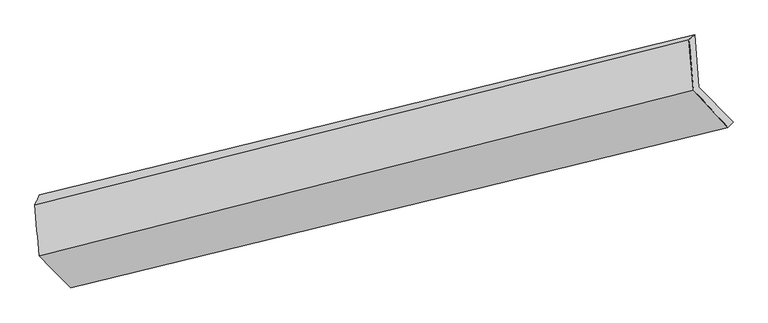
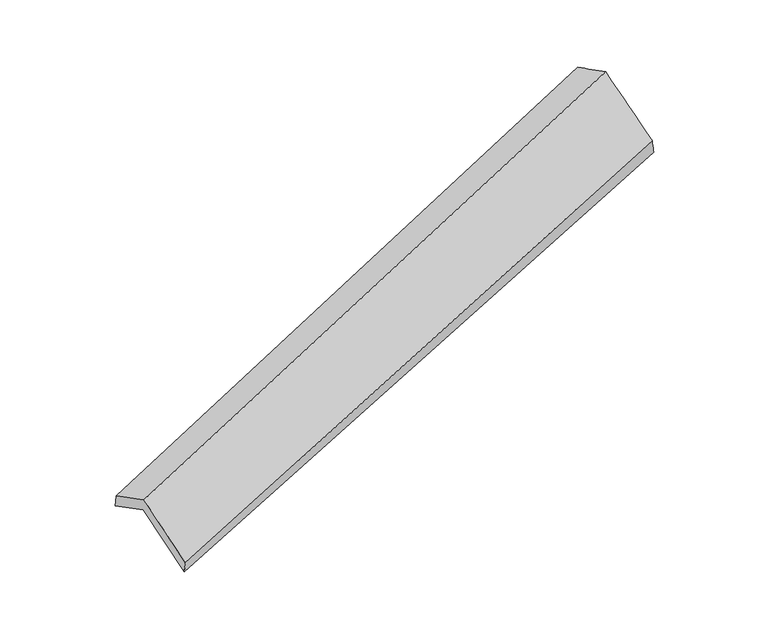
"""IFC4 building model written with IfcOpenShell, lengths in millimetres: proxy geometry."""

from ifc_helpers import new_model, si_unit, frame, origin, place, context, project, spatial, source, transform, mapped, element, save
from ifc_brep_helpers import plane_surface, spline_surface, advanced_brep


def generic_models_a7959aec(model_context):
    return source(origin(), model_context, "Body", "AdvancedBrep", [
        advanced_brep(
        [(-5018.1751272, -2320.2660485, 812.8370878), (-5238.1866465, -2095.5013349, 1317.6211241), (-584.1435104, -957.0211022, 2871.0316858), (-341.1605208, -1204.7697406, 2314.5493499), (-5268.3238623, -1725.5197815, 1139.7443966), (-614.3512167, -586.1741666, 2692.7389067), (-5298.4788215, -1794.0119611, 1281.2460889), (-654.6093068, -619.7110279, 2839.2185938), (-5268.8956764, -2157.1914296, 1455.8525652), (-622.7366048, -977.9665449, 3003.2990679), (-5045.1420249, -2385.7791215, 942.4827577), (-378.0278441, -1244.7309511, 2455.4228073)],
        [
            (0, 1),
            (1, 2),
            (2, 3),
            (3, 0),
            (1, 4),
            (4, 5),
            (5, 2),
            (4, 6),
            (6, 7),
            (7, 5),
            (6, 8),
            (8, 9),
            (9, 7),
            (8, 10),
            (10, 11),
            (11, 9),
            (10, 0),
            (3, 11),
        ],
        [
            spline_surface(1, 1, [[(-5018.1751272, -2320.2660485, 812.8370878), (-341.1605208, -1204.7697406, 2314.5493499)], [(-5238.1866465, -2095.5013349, 1317.6211241), (-584.1435104, -957.0211022, 2871.0316858)]], [2, 2], [2, 2], [0.0, 1.0], [0.0, 1.0]),
            plane_surface(frame((-5253.2552544, -1910.5105582, 1228.6827603), z_axis=(0.3748881997003474, -0.37671531969966765, -0.8470799287133475), x_axis=(-0.07321531026302733, 0.8988326746698005, -0.4321334762420302))),
            spline_surface(1, 1, [[(-5268.3238623, -1725.5197815, 1139.7443966), (-614.3512167, -586.1741666, 2692.7389067)], [(-5298.4788215, -1794.0119611, 1281.2460889), (-654.6093068, -619.7110279, 2839.2185938)]], [2, 2], [2, 2], [0.0, 1.0], [0.0, 1.0]),
            spline_surface(1, 1, [[(-5298.4788215, -1794.0119611, 1281.2460889), (-654.6093068, -619.7110279, 2839.2185938)], [(-5268.8956764, -2157.1914296, 1455.8525652), (-622.7366048, -977.9665449, 3003.2990679)]], [2, 2], [2, 2], [0.0, 1.0], [0.0, 1.0]),
            spline_surface(1, 1, [[(-5268.8956764, -2157.1914296, 1455.8525652), (-622.7366048, -977.9665449, 3003.2990679)], [(-5045.1420249, -2385.7791215, 942.4827577), (-378.0278441, -1244.7309511, 2455.4228073)]], [2, 2], [2, 2], [0.0, 1.0], [0.0, 1.0]),
            spline_surface(1, 1, [[(-5045.1420249, -2385.7791215, 942.4827577), (-378.0278441, -1244.7309511, 2455.4228073)], [(-5018.1751272, -2320.2660485, 812.8370878), (-341.1605208, -1204.7697406, 2314.5493499)]], [2, 2], [2, 2], [0.0, 1.0], [0.0, 1.0]),
            plane_surface(frame((-532.5048339, -931.7289222, 2696.0434019), z_axis=(0.9259401087207666, 0.2222337290523679, 0.30536385629876694), x_axis=(0.3726516768818359, -0.40623884088838347, -0.8343265139445218))),
            plane_surface(frame((-5189.5336931, -2079.7116128, 1158.2973367), z_axis=(-0.9261739131558104, -0.2219951063965204, -0.30482791100168494), x_axis=(-0.1825291416332576, -0.44343421063782396, 0.8775244801660158))),
        ],
        [
            (0, [[1, 2, 3, 4]]),
            (1, [[5, 6, 7, -2]]),
            (2, [[8, 9, 10, -6]]),
            (3, [[11, 12, 13, -9]]),
            (4, [[14, 15, 16, -12]]),
            (5, [[17, -4, 18, -15]]),
            (6, [[-16, -18, -3, -7, -10, -13]]),
            (7, [[-17, -14, -11, -8, -5, -1]]),
        ],
    ),
    ])


if __name__ == "__main__":
    model = new_model("IFC4")
    model_context = context("Model", 3, world=origin())
    ifc_project = project(units=[si_unit("LENGTHUNIT", "METRE", prefix="MILLI")], contexts=[model_context])
    site = spatial("IfcSite", under=ifc_project)
    building = spatial("IfcBuilding", under=site)
    placement = place(None, origin())
    generic_models_shape = generic_models_a7959aec(model_context)
    element("IfcBuildingElementProxy", 1, Name="Generic Models", at=placement, inside=building, context=model_context, shape_type="MappedRepresentation", body=[
        mapped(generic_models_shape, transform((0.0, 0.0, 0.0), x_axis=(1.0, 0.0, 0.0), y_axis=(0.0, 1.0, 0.0), z_axis=(0.0, 0.0, 1.0))),
    ])
    save(model, "model.ifc")
